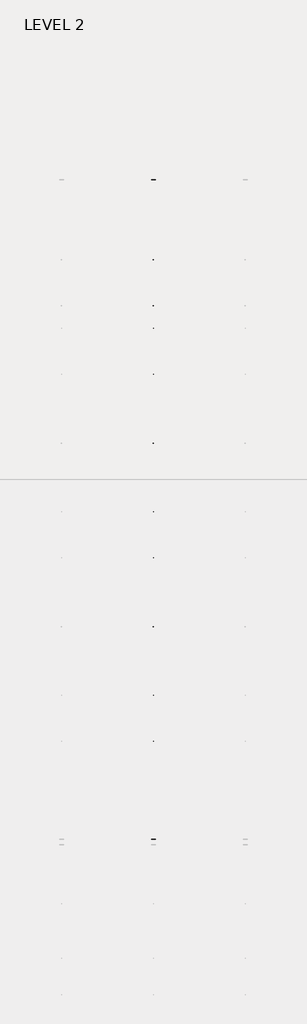
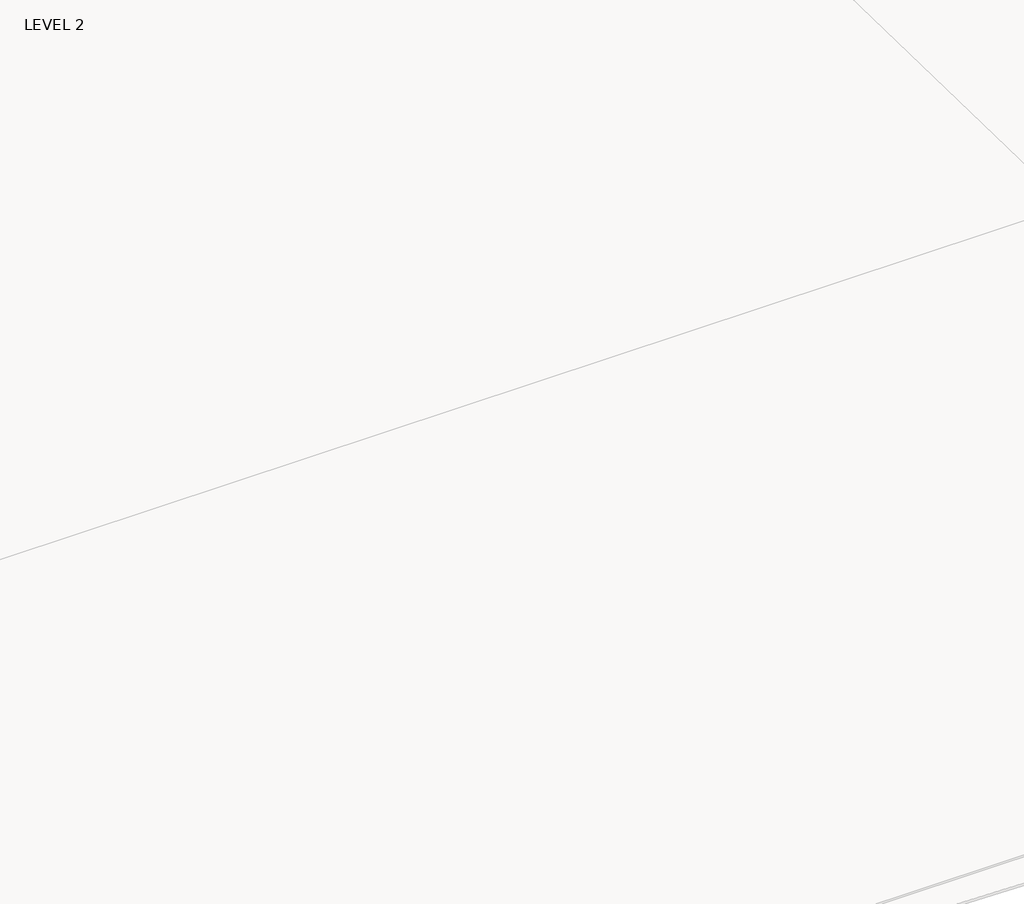
# One storey, part 59 of 67: 1 beam.
"""IFC4 building model written with IfcOpenShell, lengths in millimetres."""

from ifc_helpers import new_model, si_unit, frame, origin, place, context, project, spatial, polyline, outline, extrude, faceted_brep, element, save

model = new_model("IFC4")

# Units and contexts
model_context = context("Model", 3, world=origin())
ifc_project = project(units=[si_unit("LENGTHUNIT", "METRE", prefix="MILLI")], contexts=[model_context])

# Site, building, storey
site = spatial("IfcSite", under=ifc_project)
building = spatial("IfcBuilding", under=site)
storey = spatial("IfcBuildingStorey", under=building, Name="LEVEL 2", Elevation=6908.8)

# Beam
placement = place(None, origin())
element("IfcBeam", 1, ObjectType="K-Series Bar Joist-Angle Web : 30K7", at=placement, inside=storey, context=model_context, shape_type="SolidModel", body=[
    extrude(outline(polyline([(0.0, -9.525), (0.0, 0.0), (1596.011582, 0.0), (1596.011582, -9.525), (0.0, -9.525)])), frame((52001.3472542, 3035.5608234, 6301.5998528), z_axis=(0.0, -0.45537207995192985, 0.8903012236317849), x_axis=(0.0, -0.8903012236317849, -0.45537207995192985)), (0.0, 0.0, 1.0), 9.525),
    extrude(outline(polyline([(0.0, -9.525), (0.0, 0.0), (1596.011582, 0.0), (1596.011582, -9.525), (0.0, -9.525)])), frame((51991.8222542, -9405.2089013, 6276.405159), z_axis=(0.0, 0.45176233395621196, 0.8921383265046045), x_axis=(0.0, 0.8921383265046045, -0.45176233395621196)), (0.0, 0.0, 1.0), 9.525),
    extrude(outline(polyline([(4.7625, 4.7625), (4.7625, -4.7625), (-4.7625, -4.7625), (-4.7625, 4.7625), (4.7625, 4.7625)])), frame((51996.5847542, 1612.4610495, 5579.0607987), z_axis=(0.0, 0.5141906943646374, 0.8576758885667779), x_axis=(-1.0, 0.0, 0.0)), (0.0, 0.0, 1.0), 845.0528554),
    extrude(outline(polyline([(4.7625, 4.7625), (4.7625, -4.7625), (-4.7625, -4.7625), (-4.7625, 4.7625), (4.7625, 4.7625)])), frame((51996.5847542, -7979.1942813, 5559.6360505), z_axis=(0.0, -0.5176603441548682, 0.8555862131249332), x_axis=(-1.0, 0.0, 0.0)), (0.0, 0.0, 1.0), 845.0528554),
    extrude(outline(polyline([(0.0, 0.0), (31.75, 0.0), (31.75, -6.35), (6.35, -6.35), (6.35, -31.75), (0.0, -31.75), (0.0, 0.0)])), frame((52001.3472542, -8080.7812131, 5553.0803065), z_axis=(0.0, 0.9999979493462576, 0.0020251674695521043), x_axis=(1.0, 0.0, 0.0)), (0.0, 0.0, 1.0), 9794.875),
    extrude(outline(polyline([(-9.525, 0.0), (-9.525, -31.75), (-15.875, -31.75), (-15.875, -6.35), (-41.275, -6.35), (-41.275, 0.0), (-9.525, 0.0)])), frame((52001.3472542, -8080.7812131, 5553.0803065), z_axis=(0.0, 0.9999979493462576, 0.0020251674695521043), x_axis=(1.0, 0.0, 0.0)), (0.0, 0.0, 1.0), 9794.875),
    extrude(outline(polyline([(-31.75, 0.0), (0.0, 0.0), (0.0, -6.35), (-25.4, -6.35), (-25.4, -31.75), (-31.75, -31.75), (-31.75, 0.0)])), frame((52033.0972542, -9504.5928758, 6248.6982759), z_axis=(0.0, 0.9999979493462576, 0.0020251674695521043), x_axis=(1.0, 0.0, 0.0)), (0.0, 0.0, 1.0), 101.6),
    extrude(outline(polyline([(-41.275, 0.0), (-41.275, -31.75), (-47.625, -31.75), (-47.625, -6.35), (-73.025, -6.35), (-73.025, 0.0), (-41.275, 0.0)])), frame((52033.0972542, -9504.5928758, 6248.6982759), z_axis=(0.0, 0.9999979493462576, 0.0020251674695521043), x_axis=(1.0, 0.0, 0.0)), (0.0, 0.0, 1.0), 101.6),
    extrude(outline(polyline([(0.0, 0.0), (31.75, 0.0), (31.75, -6.35), (6.35, -6.35), (6.35, -31.75), (0.0, -31.75), (0.0, 0.0)])), frame((51991.8222542, 3033.456413, 6274.0899775), z_axis=(0.0, 0.9999979493462576, 0.0020251674695521043), x_axis=(0.0, -0.0020251674695521043, 0.9999979493462576)), (0.0, 0.0, 1.0), 101.6),
    extrude(outline(polyline([(0.0, 41.275), (6.35, 41.275), (6.35, 15.875), (31.75, 15.875), (31.75, 9.525), (0.0, 9.525), (0.0, 41.275)])), frame((51991.8222542, 3033.456413, 6274.0899775), z_axis=(0.0, 0.9999979493462576, 0.0020251674695521043), x_axis=(0.0, -0.0020251674695521043, 0.9999979493462576)), (0.0, 0.0, 1.0), 101.6),
    extrude(outline(polyline([(0.0, 0.0), (31.75, 0.0), (31.75, -6.35), (6.35, -6.35), (6.35, -31.75), (0.0, -31.75), (0.0, 0.0)])), frame((52001.3472542, -9504.7214739, 6312.1981457), z_axis=(0.0, 0.9999979493462576, 0.0020251674695521043), x_axis=(0.0, 0.0020251674695521043, -0.9999979493462576)), (0.0, 0.0, 1.0), 12639.675),
    extrude(outline(polyline([(0.0, 9.525), (0.0, 41.275), (6.35, 41.275), (6.35, 15.875), (31.75, 15.875), (31.75, 9.525), (0.0, 9.525)])), frame((52001.3472542, -9504.7214739, 6312.1981457), z_axis=(0.0, 0.9999979493462576, 0.0020251674695521043), x_axis=(0.0, 0.0020251674695521043, -0.9999979493462576)), (0.0, 0.0, 1.0), 12639.675),
    faceted_brep([(51996.5847542, 1612.4289, 5594.9357661), (51996.5847542, 1612.4674794, 5575.8858052), (51991.8222542, 1612.4674794, 5575.8858052), (51991.8222542, 1612.4289, 5594.9357661), (51996.5847542, 1611.5910583, 5594.9340693), (51996.5847542, 1186.8149607, 6330.6753354), (51996.5847542, 1168.6028414, 6330.6384527), (51996.5847542, 1168.6414208, 6311.5884918), (51996.5847542, 1175.8292494, 6311.6030483), (51996.5847542, 1600.6053471, 5575.8617823), (51991.8222542, 1600.6053471, 5575.8617823), (51991.8222542, 1580.4651011, 5610.7460665), (51991.8222542, 1584.5895575, 5613.1272983), (51991.8222542, 1189.1083632, 6298.1277874), (51991.8222542, 1184.9839067, 6295.7465555), (51991.8222542, 1175.8292494, 6311.6030483), (51991.8222542, 1168.6414208, 6311.5884918), (51991.8222542, 1168.6028414, 6330.6384527), (51991.8222542, 1186.8149607, 6330.6753354), (51991.8222542, 1611.5910583, 5594.9340693), (51979.1222542, 1184.9839067, 6295.7465555), (51979.1222542, 1580.4651011, 5610.7460665), (51979.1222542, 1584.5895575, 5613.1272983), (51979.1222542, 1189.1083632, 6298.1277874)], [[[0, 1, 2, 3]], [[1, 0, 4, 5, 6, 7, 8, 9]], [[2, 1, 9, 10]], [[3, 2, 10, 11, 12, 13, 14, 15, 16, 17, 18, 19]], [[0, 3, 19, 4]], [[9, 8, 15, 14, 20, 21, 11, 10]], [[5, 4, 19, 18]], [[7, 6, 17, 16]], [[8, 7, 16, 15]], [[6, 5, 18, 17]], [[21, 22, 12, 11]], [[20, 14, 13, 23]], [[22, 21, 20, 23]], [[12, 22, 23, 13]]]),
    extrude(outline(polyline([(740.498813, 5574.119919), (740.4602335, 5593.1698799), (741.2980751, 5593.1715767), (1163.090696, 6330.6272897), (1181.3028154, 6330.6641723), (1181.3413948, 6311.6142114), (1174.1535662, 6311.5996548), (752.3609453, 5574.1439418), (740.498813, 5574.119919)])), frame((51996.5847542, 0.0, 0.0), z_axis=(1.0, 0.0, 0.0), x_axis=(0.0, 1.0, 0.0)), (0.0, 0.0, 1.0), 4.7625),
    extrude(outline(polyline([(-4.7625, 4.7625), (-4.7625, 0.0), (-17.4625, 0.0), (-17.4625, 4.7625), (-4.7625, 4.7625)])), frame((51996.5847542, 772.3597334, 5609.1095144), z_axis=(0.0, 0.4964843899757221, 0.8680456500152716), x_axis=(-1.0, 0.0, 0.0)), (0.0, 0.0, 1.0), 790.9684223),
    faceted_brep([(51996.5847542, -7107.2577644, 5577.2769041), (51996.5847542, -7107.219185, 5558.2269432), (51991.8222542, -7107.219185, 5558.2269432), (51991.8222542, -7107.2577644, 5577.2769041), (51996.5847542, -7108.095606, 5577.2752074), (51996.5847542, -7532.8717036, 6313.0164734), (51996.5847542, -7551.083823, 6312.9795907), (51996.5847542, -7551.0452435, 6293.9296298), (51996.5847542, -7543.8574149, 6293.9441864), (51996.5847542, -7119.0813173, 5558.2029203), (51991.8222542, -7119.0813173, 5558.2029203), (51991.8222542, -7139.2215633, 5593.0872045), (51991.8222542, -7135.0971068, 5595.4684363), (51991.8222542, -7530.5783012, 6280.4689254), (51991.8222542, -7534.7027576, 6278.0876936), (51991.8222542, -7543.8574149, 6293.9441864), (51991.8222542, -7551.0452435, 6293.9296298), (51991.8222542, -7551.083823, 6312.9795907), (51991.8222542, -7532.8717036, 6313.0164734), (51991.8222542, -7108.095606, 5577.2752074), (51979.1222542, -7534.7027576, 6278.0876936), (51979.1222542, -7139.2215633, 5593.0872045), (51979.1222542, -7135.0971068, 5595.4684363), (51979.1222542, -7530.5783012, 6280.4689254)], [[[0, 1, 2, 3]], [[1, 0, 4, 5, 6, 7, 8, 9]], [[2, 1, 9, 10]], [[3, 2, 10, 11, 12, 13, 14, 15, 16, 17, 18, 19]], [[0, 3, 19, 4]], [[9, 8, 15, 14, 20, 21, 11, 10]], [[5, 4, 19, 18]], [[7, 6, 17, 16]], [[8, 7, 16, 15]], [[6, 5, 18, 17]], [[21, 22, 12, 11]], [[20, 14, 13, 23]], [[22, 21, 20, 23]], [[12, 22, 23, 13]]]),
    extrude(outline(polyline([(-7979.1878514, 5556.461057), (-7979.2264308, 5575.5110179), (-7978.3885892, 5575.5127147), (-7556.5959683, 6312.9684277), (-7538.383849, 6313.0053103), (-7538.3452696, 6293.9553494), (-7545.5330982, 6293.9407928), (-7967.3257191, 5556.4850798), (-7979.1878514, 5556.461057)])), frame((51996.5847542, 0.0, 0.0), z_axis=(1.0, 0.0, 0.0), x_axis=(0.0, 1.0, 0.0)), (0.0, 0.0, 1.0), 4.7625),
    extrude(outline(polyline([(-4.7625, 4.7625), (-4.7625, 0.0), (-17.4625, 0.0), (-17.4625, 4.7625), (-4.7625, 4.7625)])), frame((51996.5847542, -7947.326931, 5591.4506524), z_axis=(0.0, 0.4964843899757221, 0.8680456500152716), x_axis=(-1.0, 0.0, 0.0)), (0.0, 0.0, 1.0), 790.9684223),
    faceted_brep([(51996.5847542, 740.4602335, 5593.1698799), (51996.5847542, 740.498813, 5574.119919), (51991.8222542, 740.498813, 5574.119919), (51991.8222542, 740.4602335, 5593.1698799), (51996.5847542, 739.6223919, 5593.1681831), (51996.5847542, 314.8462943, 6328.9094492), (51996.5847542, 296.634175, 6328.8725665), (51996.5847542, 296.6727544, 6309.8226056), (51996.5847542, 303.860583, 6309.8371621), (51996.5847542, 728.6366806, 5574.0958961), (51991.8222542, 728.6366806, 5574.0958961), (51991.8222542, 708.4964346, 5608.9801803), (51991.8222542, 712.6208911, 5611.3614121), (51991.8222542, 317.1396968, 6296.3619012), (51991.8222542, 313.0152403, 6293.9806693), (51991.8222542, 303.860583, 6309.8371621), (51991.8222542, 296.6727544, 6309.8226056), (51991.8222542, 296.634175, 6328.8725665), (51991.8222542, 314.8462943, 6328.9094492), (51991.8222542, 739.6223919, 5593.1681831), (51979.1222542, 313.0152403, 6293.9806693), (51979.1222542, 708.4964346, 5608.9801803), (51979.1222542, 712.6208911, 5611.3614121), (51979.1222542, 317.1396968, 6296.3619012)], [[[0, 1, 2, 3]], [[1, 0, 4, 5, 6, 7, 8, 9]], [[2, 1, 9, 10]], [[3, 2, 10, 11, 12, 13, 14, 15, 16, 17, 18, 19]], [[0, 3, 19, 4]], [[9, 8, 15, 14, 20, 21, 11, 10]], [[5, 4, 19, 18]], [[7, 6, 17, 16]], [[8, 7, 16, 15]], [[6, 5, 18, 17]], [[21, 22, 12, 11]], [[20, 14, 13, 23]], [[22, 21, 20, 23]], [[12, 22, 23, 13]]]),
    extrude(outline(polyline([(-131.4698535, 5572.3540328), (-131.5084329, 5591.4039937), (-130.6705913, 5591.4056905), (291.1220296, 6328.8614035), (309.3341489, 6328.8982861), (309.3727284, 6309.8483252), (302.1848998, 6309.8337686), (-119.6077211, 5572.3780556), (-131.4698535, 5572.3540328)])), frame((51996.5847542, 0.0, 0.0), z_axis=(1.0, 0.0, 0.0), x_axis=(0.0, 1.0, 0.0)), (0.0, 0.0, 1.0), 4.7625),
    extrude(outline(polyline([(-4.7625, 4.7625), (-4.7625, 0.0), (-17.4625, 0.0), (-17.4625, 4.7625), (-4.7625, 4.7625)])), frame((51996.5847542, -99.6089331, 5607.3436282), z_axis=(0.0, 0.4964843899757221, 0.8680456500152716), x_axis=(-1.0, 0.0, 0.0)), (0.0, 0.0, 1.0), 790.9684223),
    faceted_brep([(51996.5847542, -131.5084329, 5591.4039937), (51996.5847542, -131.4698535, 5572.3540328), (51991.8222542, -131.4698535, 5572.3540328), (51991.8222542, -131.5084329, 5591.4039937), (51996.5847542, -132.3462745, 5591.4022969), (51996.5847542, -557.1223722, 6327.143563), (51996.5847542, -575.3344915, 6327.1066803), (51996.5847542, -575.295912, 6308.0567194), (51996.5847542, -568.1080834, 6308.0712759), (51996.5847542, -143.3319858, 5572.3300099), (51991.8222542, -143.3319858, 5572.3300099), (51991.8222542, -163.4722318, 5607.2142941), (51991.8222542, -159.3477753, 5609.5955259), (51991.8222542, -554.8289697, 6294.596015), (51991.8222542, -558.9534262, 6292.2147831), (51991.8222542, -568.1080834, 6308.0712759), (51991.8222542, -575.295912, 6308.0567194), (51991.8222542, -575.3344915, 6327.1066803), (51991.8222542, -557.1223722, 6327.143563), (51991.8222542, -132.3462745, 5591.4022969), (51979.1222542, -558.9534262, 6292.2147831), (51979.1222542, -163.4722318, 5607.2142941), (51979.1222542, -159.3477753, 5609.5955259), (51979.1222542, -554.8289697, 6294.596015)], [[[0, 1, 2, 3]], [[1, 0, 4, 5, 6, 7, 8, 9]], [[2, 1, 9, 10]], [[3, 2, 10, 11, 12, 13, 14, 15, 16, 17, 18, 19]], [[0, 3, 19, 4]], [[9, 8, 15, 14, 20, 21, 11, 10]], [[5, 4, 19, 18]], [[7, 6, 17, 16]], [[8, 7, 16, 15]], [[6, 5, 18, 17]], [[21, 22, 12, 11]], [[20, 14, 13, 23]], [[22, 21, 20, 23]], [[12, 22, 23, 13]]]),
    extrude(outline(polyline([(-1003.4385199, 5570.5881466), (-1003.4770993, 5589.6381075), (-1002.6392577, 5589.6398043), (-580.8466368, 6327.0955173), (-562.6345175, 6327.1323999), (-562.5959381, 6308.082439), (-569.7837667, 6308.0678824), (-991.5763876, 5570.6121694), (-1003.4385199, 5570.5881466)])), frame((51996.5847542, 0.0, 0.0), z_axis=(1.0, 0.0, 0.0), x_axis=(0.0, 1.0, 0.0)), (0.0, 0.0, 1.0), 4.7625),
    extrude(outline(polyline([(-4.7625, 4.7625), (-4.7625, 0.0), (-17.4625, 0.0), (-17.4625, 4.7625), (-4.7625, 4.7625)])), frame((51996.5847542, -971.5775995, 5605.577742), z_axis=(0.0, 0.4964843899757221, 0.8680456500152716), x_axis=(-1.0, 0.0, 0.0)), (0.0, 0.0, 1.0), 790.9684223),
    faceted_brep([(51996.5847542, -1003.4770993, 5589.6381075), (51996.5847542, -1003.4385199, 5570.5881466), (51991.8222542, -1003.4385199, 5570.5881466), (51991.8222542, -1003.4770993, 5589.6381075), (51996.5847542, -1004.314941, 5589.6364107), (51996.5847542, -1429.0910386, 6325.3776768), (51996.5847542, -1447.3031579, 6325.3407941), (51996.5847542, -1447.2645785, 6306.2908332), (51996.5847542, -1440.0767499, 6306.3053897), (51996.5847542, -1015.3006522, 5570.5641237), (51991.8222542, -1015.3006522, 5570.5641237), (51991.8222542, -1035.4408983, 5605.4484079), (51991.8222542, -1031.3164418, 5607.8296397), (51991.8222542, -1426.7976361, 6292.8301288), (51991.8222542, -1430.9220926, 6290.4488969), (51991.8222542, -1440.0767499, 6306.3053897), (51991.8222542, -1447.2645785, 6306.2908332), (51991.8222542, -1447.3031579, 6325.3407941), (51991.8222542, -1429.0910386, 6325.3776768), (51991.8222542, -1004.314941, 5589.6364107), (51979.1222542, -1430.9220926, 6290.4488969), (51979.1222542, -1035.4408983, 5605.4484079), (51979.1222542, -1031.3164418, 5607.8296397), (51979.1222542, -1426.7976361, 6292.8301288)], [[[0, 1, 2, 3]], [[1, 0, 4, 5, 6, 7, 8, 9]], [[2, 1, 9, 10]], [[3, 2, 10, 11, 12, 13, 14, 15, 16, 17, 18, 19]], [[0, 3, 19, 4]], [[9, 8, 15, 14, 20, 21, 11, 10]], [[5, 4, 19, 18]], [[7, 6, 17, 16]], [[8, 7, 16, 15]], [[6, 5, 18, 17]], [[21, 22, 12, 11]], [[20, 14, 13, 23]], [[22, 21, 20, 23]], [[12, 22, 23, 13]]]),
    extrude(outline(polyline([(-1875.4071863, 5568.8222604), (-1875.4457658, 5587.8722213), (-1874.6079242, 5587.8739181), (-1452.8153033, 6325.3296311), (-1434.6031839, 6325.3665137), (-1434.5646045, 6306.3165528), (-1441.7524331, 6306.3019962), (-1863.545054, 5568.8462832), (-1875.4071863, 5568.8222604)])), frame((51996.5847542, 0.0, 0.0), z_axis=(1.0, 0.0, 0.0), x_axis=(0.0, 1.0, 0.0)), (0.0, 0.0, 1.0), 4.7625),
    extrude(outline(polyline([(-4.7625, 4.7625001), (-4.7625, 0.0), (-17.4625, 0.0), (-17.4625, 4.7625001), (-4.7625, 4.7625001)])), frame((51996.5847542, -1843.5462659, 5603.8118558), z_axis=(0.0, 0.4964843899757221, 0.8680456500152716), x_axis=(-1.0, 0.0, 0.0)), (0.0, 0.0, 1.0), 790.9684223),
    faceted_brep([(51996.5847542, -1875.4457658, 5587.8722213), (51996.5847542, -1875.4071863, 5568.8222604), (51991.8222542, -1875.4071863, 5568.8222604), (51991.8222542, -1875.4457658, 5587.8722213), (51996.5847542, -1876.2836074, 5587.8705245), (51996.5847542, -2301.059705, 6323.6117906), (51996.5847542, -2319.2718243, 6323.5749079), (51996.5847542, -2319.2332449, 6304.524947), (51996.5847542, -2312.0454163, 6304.5395035), (51996.5847542, -1887.2693187, 5568.7982375), (51991.8222542, -1887.2693187, 5568.7982375), (51991.8222542, -1907.4095647, 5603.6825217), (51991.8222542, -1903.2851082, 5606.0637535), (51991.8222542, -2298.7663026, 6291.0642426), (51991.8222542, -2302.890759, 6288.6830107), (51991.8222542, -2312.0454163, 6304.5395035), (51991.8222542, -2319.2332449, 6304.524947), (51991.8222542, -2319.2718243, 6323.5749079), (51991.8222542, -2301.059705, 6323.6117906), (51991.8222542, -1876.2836074, 5587.8705245), (51979.1222542, -2302.890759, 6288.6830107), (51979.1222542, -1907.4095647, 5603.6825217), (51979.1222542, -1903.2851082, 5606.0637535), (51979.1222542, -2298.7663026, 6291.0642426)], [[[0, 1, 2, 3]], [[1, 0, 4, 5, 6, 7, 8, 9]], [[2, 1, 9, 10]], [[3, 2, 10, 11, 12, 13, 14, 15, 16, 17, 18, 19]], [[0, 3, 19, 4]], [[9, 8, 15, 14, 20, 21, 11, 10]], [[5, 4, 19, 18]], [[7, 6, 17, 16]], [[8, 7, 16, 15]], [[6, 5, 18, 17]], [[21, 22, 12, 11]], [[20, 14, 13, 23]], [[22, 21, 20, 23]], [[12, 22, 23, 13]]]),
    extrude(outline(polyline([(-2747.3758528, 5567.0563742), (-2747.4144322, 5586.1063351), (-2746.5765906, 5586.1080319), (-2324.7839697, 6323.5637449), (-2306.5718504, 6323.6006275), (-2306.5332709, 6304.5506666), (-2313.7210995, 6304.53611), (-2735.5137204, 5567.080397), (-2747.3758528, 5567.0563742)])), frame((51996.5847542, 0.0, 0.0), z_axis=(1.0, 0.0, 0.0), x_axis=(0.0, 1.0, 0.0)), (0.0, 0.0, 1.0), 4.7625),
    extrude(outline(polyline([(-4.7625, 4.7625), (-4.7625, 0.0), (-17.4625, 0.0), (-17.4625, 4.7625), (-4.7625, 4.7625)])), frame((51996.5847542, -2715.5149324, 5602.0459696), z_axis=(0.0, 0.4964843899757221, 0.8680456500152716), x_axis=(-1.0, 0.0, 0.0)), (0.0, 0.0, 1.0), 790.9684223),
    faceted_brep([(51996.5847542, -2747.4144322, 5586.1063351), (51996.5847542, -2747.3758528, 5567.0563742), (51991.8222542, -2747.3758528, 5567.0563742), (51991.8222542, -2747.4144322, 5586.1063351), (51996.5847542, -2748.2522738, 5586.1046383), (51996.5847542, -3173.0283715, 6321.8459044), (51996.5847542, -3191.2404908, 6321.8090217), (51996.5847542, -3191.2019113, 6302.7590608), (51996.5847542, -3184.0140827, 6302.7736173), (51996.5847542, -2759.2379851, 5567.0323513), (51991.8222542, -2759.2379851, 5567.0323513), (51991.8222542, -2779.3782311, 5601.9166355), (51991.8222542, -2775.2537747, 5604.2978673), (51991.8222542, -3170.734969, 6289.2983564), (51991.8222542, -3174.8594255, 6286.9171245), (51991.8222542, -3184.0140827, 6302.7736173), (51991.8222542, -3191.2019113, 6302.7590608), (51991.8222542, -3191.2404908, 6321.8090217), (51991.8222542, -3173.0283715, 6321.8459044), (51991.8222542, -2748.2522738, 5586.1046383), (51979.1222542, -3174.8594255, 6286.9171245), (51979.1222542, -2779.3782311, 5601.9166355), (51979.1222542, -2775.2537747, 5604.2978673), (51979.1222542, -3170.734969, 6289.2983564)], [[[0, 1, 2, 3]], [[1, 0, 4, 5, 6, 7, 8, 9]], [[2, 1, 9, 10]], [[3, 2, 10, 11, 12, 13, 14, 15, 16, 17, 18, 19]], [[0, 3, 19, 4]], [[9, 8, 15, 14, 20, 21, 11, 10]], [[5, 4, 19, 18]], [[7, 6, 17, 16]], [[8, 7, 16, 15]], [[6, 5, 18, 17]], [[21, 22, 12, 11]], [[20, 14, 13, 23]], [[22, 21, 20, 23]], [[12, 22, 23, 13]]]),
    extrude(outline(polyline([(-3619.3445192, 5565.290488), (-3619.3830987, 5584.3404489), (-3618.545257, 5584.3421457), (-3196.7526361, 6321.7978587), (-3178.5405168, 6321.8347413), (-3178.5019374, 6302.7847804), (-3185.689766, 6302.7702238), (-3607.4823869, 5565.3145108), (-3619.3445192, 5565.290488)])), frame((51996.5847542, 0.0, 0.0), z_axis=(1.0, 0.0, 0.0), x_axis=(0.0, 1.0, 0.0)), (0.0, 0.0, 1.0), 4.7625),
    extrude(outline(polyline([(-4.7625, 4.7625), (-4.7625, 0.0), (-17.4625, 0.0), (-17.4625, 4.7625), (-4.7625, 4.7625)])), frame((51996.5847542, -3587.4835988, 5600.2800834), z_axis=(0.0, 0.4964843899757221, 0.8680456500152716), x_axis=(-1.0, 0.0, 0.0)), (0.0, 0.0, 1.0), 790.9684223),
    faceted_brep([(51996.5847542, -3619.3830987, 5584.3404489), (51996.5847542, -3619.3445192, 5565.290488), (51991.8222542, -3619.3445192, 5565.290488), (51991.8222542, -3619.3830987, 5584.3404489), (51996.5847542, -3620.2209403, 5584.3387521), (51996.5847542, -4044.9970379, 6320.0800182), (51996.5847542, -4063.2091572, 6320.0431355), (51996.5847542, -4063.1705778, 6300.9931746), (51996.5847542, -4055.9827492, 6301.0077311), (51996.5847542, -3631.2066516, 5565.2664651), (51991.8222542, -3631.2066516, 5565.2664651), (51991.8222542, -3651.3468976, 5600.1507493), (51991.8222542, -3647.2224411, 5602.5319811), (51991.8222542, -4042.7036354, 6287.5324702), (51991.8222542, -4046.8280919, 6285.1512383), (51991.8222542, -4055.9827492, 6301.0077311), (51991.8222542, -4063.1705778, 6300.9931746), (51991.8222542, -4063.2091572, 6320.0431355), (51991.8222542, -4044.9970379, 6320.0800182), (51991.8222542, -3620.2209403, 5584.3387521), (51979.1222542, -4046.8280919, 6285.1512383), (51979.1222542, -3651.3468976, 5600.1507493), (51979.1222542, -3647.2224411, 5602.5319811), (51979.1222542, -4042.7036354, 6287.5324702)], [[[0, 1, 2, 3]], [[1, 0, 4, 5, 6, 7, 8, 9]], [[2, 1, 9, 10]], [[3, 2, 10, 11, 12, 13, 14, 15, 16, 17, 18, 19]], [[0, 3, 19, 4]], [[9, 8, 15, 14, 20, 21, 11, 10]], [[5, 4, 19, 18]], [[7, 6, 17, 16]], [[8, 7, 16, 15]], [[6, 5, 18, 17]], [[21, 22, 12, 11]], [[20, 14, 13, 23]], [[22, 21, 20, 23]], [[12, 22, 23, 13]]]),
    extrude(outline(polyline([(-4491.3131857, 5563.5246018), (-4491.3517651, 5582.5745627), (-4490.5139235, 5582.5762595), (-4068.7213026, 6320.0319725), (-4050.5091833, 6320.0688551), (-4050.4706038, 6301.0188942), (-4057.6584324, 6301.0043376), (-4479.4510533, 5563.5486246), (-4491.3131857, 5563.5246018)])), frame((51996.5847542, 0.0, 0.0), z_axis=(1.0, 0.0, 0.0), x_axis=(0.0, 1.0, 0.0)), (0.0, 0.0, 1.0), 4.7625),
    extrude(outline(polyline([(-4.7625, 4.7625), (-4.7625, 0.0), (-17.4625, 0.0), (-17.4625, 4.7625), (-4.7625, 4.7625)])), frame((51996.5847542, -4459.4522653, 5598.5141972), z_axis=(0.0, 0.4964843899757221, 0.8680456500152716), x_axis=(-1.0, 0.0, 0.0)), (0.0, 0.0, 1.0), 790.9684223),
    faceted_brep([(51996.5847542, -4491.3517651, 5582.5745627), (51996.5847542, -4491.3131857, 5563.5246018), (51991.8222542, -4491.3131857, 5563.5246018), (51991.8222542, -4491.3517651, 5582.5745627), (51996.5847542, -4492.1896067, 5582.572866), (51996.5847542, -4916.9657043, 6318.314132), (51996.5847542, -4935.1778236, 6318.2772493), (51996.5847542, -4935.1392442, 6299.2272884), (51996.5847542, -4927.9514156, 6299.241845), (51996.5847542, -4503.175318, 5563.5005789), (51991.8222542, -4503.175318, 5563.5005789), (51991.8222542, -4523.315564, 5598.3848631), (51991.8222542, -4519.1911075, 5600.7660949), (51991.8222542, -4914.6723019, 6285.766584), (51991.8222542, -4918.7967583, 6283.3853521), (51991.8222542, -4927.9514156, 6299.241845), (51991.8222542, -4935.1392442, 6299.2272884), (51991.8222542, -4935.1778236, 6318.2772493), (51991.8222542, -4916.9657043, 6318.314132), (51991.8222542, -4492.1896067, 5582.572866), (51979.1222542, -4918.7967583, 6283.3853521), (51979.1222542, -4523.315564, 5598.3848631), (51979.1222542, -4519.1911075, 5600.7660949), (51979.1222542, -4914.6723019, 6285.766584)], [[[0, 1, 2, 3]], [[1, 0, 4, 5, 6, 7, 8, 9]], [[2, 1, 9, 10]], [[3, 2, 10, 11, 12, 13, 14, 15, 16, 17, 18, 19]], [[0, 3, 19, 4]], [[9, 8, 15, 14, 20, 21, 11, 10]], [[5, 4, 19, 18]], [[7, 6, 17, 16]], [[8, 7, 16, 15]], [[6, 5, 18, 17]], [[21, 22, 12, 11]], [[20, 14, 13, 23]], [[22, 21, 20, 23]], [[12, 22, 23, 13]]]),
    extrude(outline(polyline([(-5363.2818521, 5561.7587156), (-5363.3204315, 5580.8086765), (-5362.4825899, 5580.8103733), (-4940.689969, 6318.2660863), (-4922.4778497, 6318.3029689), (-4922.4392703, 6299.253008), (-4929.6270988, 6299.2384514), (-5351.4197198, 5561.7827384), (-5363.2818521, 5561.7587156)])), frame((51996.5847542, 0.0, 0.0), z_axis=(1.0, 0.0, 0.0), x_axis=(0.0, 1.0, 0.0)), (0.0, 0.0, 1.0), 4.7625),
    extrude(outline(polyline([(-4.7625, 4.7625), (-4.7625, 0.0), (-17.4625, 0.0), (-17.4625, 4.7625), (-4.7625, 4.7625)])), frame((51996.5847542, -5331.4209317, 5596.748311), z_axis=(0.0, 0.4964843899757221, 0.8680456500152716), x_axis=(-1.0, 0.0, 0.0)), (0.0, 0.0, 1.0), 790.9684223),
    faceted_brep([(51996.5847542, -5363.3204315, 5580.8086765), (51996.5847542, -5363.2818521, 5561.7587156), (51991.8222542, -5363.2818521, 5561.7587156), (51991.8222542, -5363.3204315, 5580.8086765), (51996.5847542, -5364.1582731, 5580.8069798), (51996.5847542, -5788.9343708, 6316.5482458), (51996.5847542, -5807.1464901, 6316.5113631), (51996.5847542, -5807.1079106, 6297.4614022), (51996.5847542, -5799.920082, 6297.4759588), (51996.5847542, -5375.1439844, 5561.7346927), (51991.8222542, -5375.1439844, 5561.7346927), (51991.8222542, -5395.2842304, 5596.6189769), (51991.8222542, -5391.159774, 5599.0002087), (51991.8222542, -5786.6409683, 6284.0006978), (51991.8222542, -5790.7654248, 6281.6194659), (51991.8222542, -5799.920082, 6297.4759588), (51991.8222542, -5807.1079106, 6297.4614022), (51991.8222542, -5807.1464901, 6316.5113631), (51991.8222542, -5788.9343708, 6316.5482458), (51991.8222542, -5364.1582731, 5580.8069798), (51979.1222542, -5790.7654248, 6281.6194659), (51979.1222542, -5395.2842304, 5596.6189769), (51979.1222542, -5391.159774, 5599.0002087), (51979.1222542, -5786.6409683, 6284.0006978)], [[[0, 1, 2, 3]], [[1, 0, 4, 5, 6, 7, 8, 9]], [[2, 1, 9, 10]], [[3, 2, 10, 11, 12, 13, 14, 15, 16, 17, 18, 19]], [[0, 3, 19, 4]], [[9, 8, 15, 14, 20, 21, 11, 10]], [[5, 4, 19, 18]], [[7, 6, 17, 16]], [[8, 7, 16, 15]], [[6, 5, 18, 17]], [[21, 22, 12, 11]], [[20, 14, 13, 23]], [[22, 21, 20, 23]], [[12, 22, 23, 13]]]),
    extrude(outline(polyline([(-6235.2505185, 5559.9928294), (-6235.289098, 5579.0427903), (-6234.4512563, 5579.0444871), (-5812.6586354, 6316.5002001), (-5794.4465161, 6316.5370827), (-5794.4079367, 6297.4871218), (-5801.5957653, 6297.4725652), (-6223.3883862, 5560.0168522), (-6235.2505185, 5559.9928294)])), frame((51996.5847542, 0.0, 0.0), z_axis=(1.0, 0.0, 0.0), x_axis=(0.0, 1.0, 0.0)), (0.0, 0.0, 1.0), 4.7625),
    extrude(outline(polyline([(-4.7625, 4.7625), (-4.7625, 0.0), (-17.4625, 0.0), (-17.4625, 4.7625), (-4.7625, 4.7625)])), frame((51996.5847542, -6203.3895981, 5594.9824248), z_axis=(0.0, 0.4964843899757221, 0.8680456500152716), x_axis=(-1.0, 0.0, 0.0)), (0.0, 0.0, 1.0), 790.9684223),
    faceted_brep([(51996.5847542, -6235.289098, 5579.0427903), (51996.5847542, -6235.2505185, 5559.9928294), (51991.8222542, -6235.2505185, 5559.9928294), (51991.8222542, -6235.289098, 5579.0427903), (51996.5847542, -6236.1269396, 5579.0410936), (51996.5847542, -6660.9030372, 6314.7823596), (51996.5847542, -6679.1151565, 6314.7454769), (51996.5847542, -6679.0765771, 6295.695516), (51996.5847542, -6671.8887485, 6295.7100726), (51996.5847542, -6247.1126509, 5559.9688065), (51991.8222542, -6247.1126509, 5559.9688065), (51991.8222542, -6267.2528969, 5594.8530907), (51991.8222542, -6263.1284404, 5597.2343225), (51991.8222542, -6658.6096347, 6282.2348116), (51991.8222542, -6662.7340912, 6279.8535798), (51991.8222542, -6671.8887485, 6295.7100726), (51991.8222542, -6679.0765771, 6295.695516), (51991.8222542, -6679.1151565, 6314.7454769), (51991.8222542, -6660.9030372, 6314.7823596), (51991.8222542, -6236.1269396, 5579.0410936), (51979.1222542, -6662.7340912, 6279.8535798), (51979.1222542, -6267.2528969, 5594.8530907), (51979.1222542, -6263.1284404, 5597.2343225), (51979.1222542, -6658.6096347, 6282.2348116)], [[[0, 1, 2, 3]], [[1, 0, 4, 5, 6, 7, 8, 9]], [[2, 1, 9, 10]], [[3, 2, 10, 11, 12, 13, 14, 15, 16, 17, 18, 19]], [[0, 3, 19, 4]], [[9, 8, 15, 14, 20, 21, 11, 10]], [[5, 4, 19, 18]], [[7, 6, 17, 16]], [[8, 7, 16, 15]], [[6, 5, 18, 17]], [[21, 22, 12, 11]], [[20, 14, 13, 23]], [[22, 21, 20, 23]], [[12, 22, 23, 13]]]),
    extrude(outline(polyline([(-7107.219185, 5558.2269432), (-7107.2577644, 5577.2769041), (-7106.4199228, 5577.2786009), (-6684.6273019, 6314.7343139), (-6666.4151826, 6314.7711965), (-6666.3766031, 6295.7212356), (-6673.5644317, 6295.706679), (-7095.3570526, 5558.250966), (-7107.219185, 5558.2269432)])), frame((51996.5847542, 0.0, 0.0), z_axis=(1.0, 0.0, 0.0), x_axis=(0.0, 1.0, 0.0)), (0.0, 0.0, 1.0), 4.7625),
    extrude(outline(polyline([(-4.7625, 4.7625), (-4.7625, 0.0), (-17.4625, 0.0), (-17.4625, 4.7625), (-4.7625, 4.7625)])), frame((51996.5847542, -7075.3582646, 5593.2165386), z_axis=(0.0, 0.4964843899757221, 0.8680456500152716), x_axis=(-1.0, 0.0, 0.0)), (0.0, 0.0, 1.0), 790.9684223),
])

save(model, "model.ifc")
